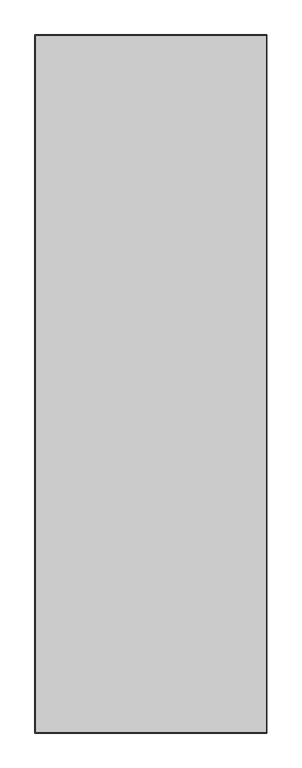
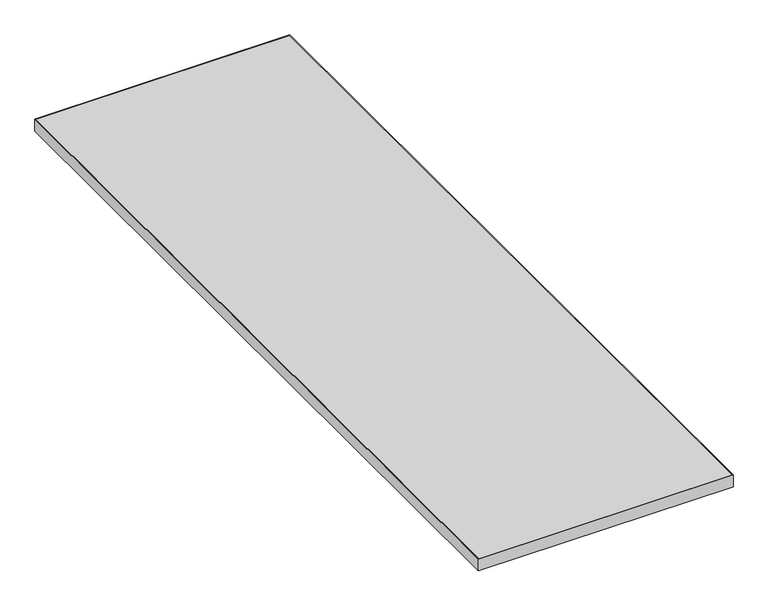
"""IFC4 building model written with IfcOpenShell, lengths in millimetres: furniture geometry."""

from ifc_helpers import new_model, si_unit, frame, origin, place, context, project, spatial, polyline, outline, extrude, source, transform, mapped, element, save


def furniture_cf9fb935(model_context):
    return source(origin(), model_context, "Body", "SweptSolid", [
        extrude(outline(polyline([(-356.2827985, 282.5484437), (-356.2827985, -1541.5271563), (-959.6343985, -1541.5271563), (-959.6343985, 282.5484437), (-356.2827985, 282.5484437)])), frame((0.0, 0.0, 707.009), z_axis=(0.0, 0.0, 1.0), x_axis=(1.0, 0.0, 0.0)), (0.0, 0.0, 1.0), 29.591),
        extrude(outline(polyline([(-961.2218985, -1543.1146563), (-961.2218985, 284.1359437), (-354.6952985, 284.1359437), (-354.6952985, -1543.1146563), (-961.2218985, -1543.1146563)]), holes=[polyline([(-356.2827985, -1541.5271563), (-356.2827985, 282.5484437), (-959.6343985, 282.5484437), (-959.6343985, -1541.5271563), (-356.2827985, -1541.5271563)])]), frame((0.0, 0.0, 707.009), z_axis=(0.0, 0.0, 1.0), x_axis=(1.0, 0.0, 0.0)), (0.0, 0.0, 1.0), 29.591),
    ])


if __name__ == "__main__":
    model = new_model("IFC4")
    model_context = context("Model", 3, world=origin())
    ifc_project = project(units=[si_unit("LENGTHUNIT", "METRE", prefix="MILLI")], contexts=[model_context])
    site = spatial("IfcSite", under=ifc_project)
    building = spatial("IfcBuilding", under=site)
    placement = place(None, origin())
    furniture_shape = furniture_cf9fb935(model_context)
    element("IfcFurniture", 1, at=placement, inside=building, context=model_context, shape_type="MappedRepresentation", body=[
        mapped(furniture_shape, transform((0.0, 0.0, 0.0), x_axis=(1.0, 0.0, 0.0), y_axis=(0.0, 1.0, 0.0), z_axis=(0.0, 0.0, 1.0))),
    ])
    save(model, "model.ifc")
